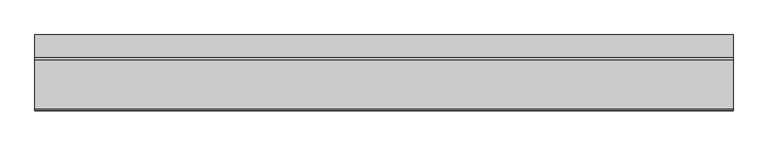
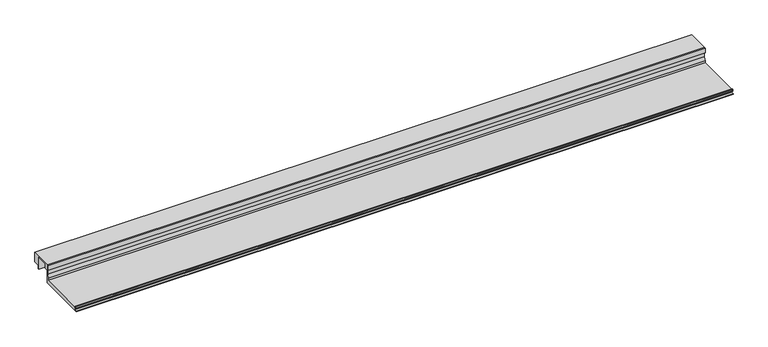
"""IFC4 building model written with IfcOpenShell, lengths in millimetres: proxy geometry."""

from ifc_helpers import new_model, si_unit, point, frame, frame_2d, origin, place, context, project, spatial, polyline, circle_curve, trimmed, segment, composite_curve, outline, extrude, source, transform, mapped, element, save


def specialty_equipment_5e3e52d5(model_context):
    return source(origin(), model_context, "Body", "SweptSolid", [
        extrude(outline(polyline([(165.632524, 63.5), (235.482524, 63.5), (235.482524, 31.75), (215.241899, 31.75), (215.241899, 19.05), (212.9598677, 19.05), (212.9598677, 61.1898306), (175.284524, 61.1898306), (175.284524, 44.45), (165.632524, 44.45), (165.632524, 63.5)])), frame((0.0, 0.0, 0.0), z_axis=(1.0, 0.0, 0.0), x_axis=(0.0, 1.0, 0.0)), (0.0, 0.0, 1.0), 2161.3825489),
        extrude(outline(composite_curve([segment(polyline([(165.632524, 0.0), (0.0, 0.0), (0.0, 1.651), (8.368424, 1.7970714), (8.368424, 9.7466904)]), True, "CONTINUOUS"), segment(trimmed(circle_curve(frame_2d((7.805541, 9.7466904)), 0.562883), [point((8.368424, 9.7466904))], [point((7.805541, 10.3095735))], True, "CARTESIAN"), True, "CONTINUOUS"), segment(polyline([(7.805541, 10.3095735), (1.0402986, 10.3095735)]), True, "CONTINUOUS"), segment(trimmed(circle_curve(frame_2d((1.0402986, 10.8138628)), 0.5042893), [point((1.0402986, 10.3095735))], [point((0.5832573, 11.0269846))], False, "CARTESIAN"), True, "CONTINUOUS"), segment(polyline([(0.5832573, 11.0269846), (2.843924, 15.875), (5.206124, 15.875), (5.206124, 12.7), (159.282524, 12.7), (159.282524, 19.05), (163.346524, 31.75), (163.346524, 46.0298451), (158.495124, 48.3942822), (158.495124, 63.5), (165.632524, 63.5), (165.632524, 0.0)]), True, "CONTINUOUS")], self_intersect=False)), frame((0.0, 0.0, 0.0), z_axis=(1.0, 0.0, 0.0), x_axis=(0.0, 1.0, 0.0)), (0.0, 0.0, 1.0), 2161.3825489),
    ])


if __name__ == "__main__":
    model = new_model("IFC4")
    model_context = context("Model", 3, world=origin())
    ifc_project = project(units=[si_unit("LENGTHUNIT", "METRE", prefix="MILLI")], contexts=[model_context])
    site = spatial("IfcSite", under=ifc_project)
    building = spatial("IfcBuilding", under=site)
    placement = place(None, origin())
    specialty_equipment_shape = specialty_equipment_5e3e52d5(model_context)
    element("IfcBuildingElementProxy", 1, Name="Specialty Equipment", at=placement, inside=building, context=model_context, shape_type="MappedRepresentation", body=[
        mapped(specialty_equipment_shape, transform((0.0, 0.0, 0.0), x_axis=(1.0, 0.0, 0.0), y_axis=(0.0, 1.0, 0.0), z_axis=(0.0, 0.0, 1.0))),
    ])
    save(model, "model.ifc")
